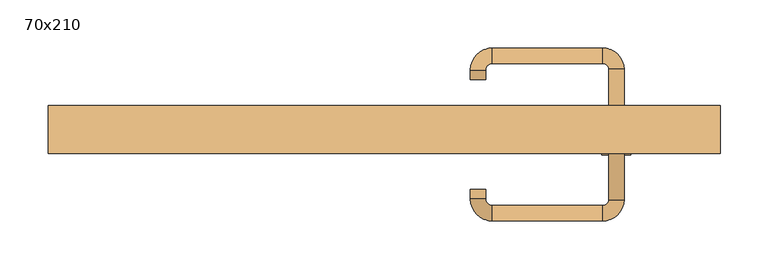
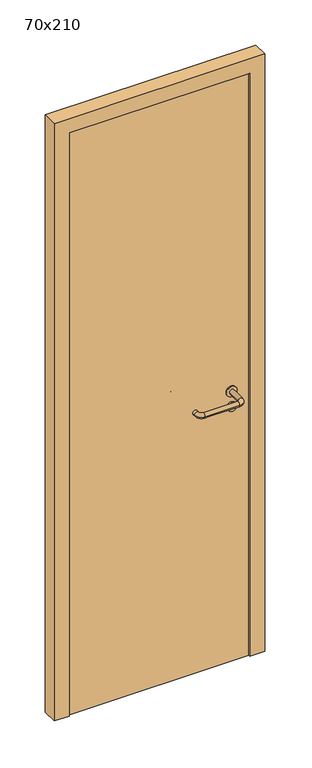
"""IFC4 building model written with IfcOpenShell, lengths in millimetres: door geometry, 70x210."""

from ifc_helpers import new_model, si_unit, point, frame, frame_2d, origin, origin_with_axes, place, context, project, spatial, polyline, circle_curve, ellipse_curve, trimmed, segment, composite_curve, outline, extrude, source, transform, mapped, element, save
from ifc_brep_helpers import plane_surface, cylinder_surface, revolved_surface, advanced_brep


def door_70x210_753ff08d(model_context):
    return source(origin(), model_context, "Body", "SolidModel", [
        extrude(outline(composite_curve([segment(trimmed(circle_curve(frame_2d((897.3605726, 242.0)), 15.0), [point((897.3605726, 257.0))], [point((897.3605726, 227.0))], False, "CARTESIAN"), True, "CONTINUOUS"), segment(trimmed(circle_curve(frame_2d((897.3605726, 242.0)), 15.0), [point((897.3605726, 227.0))], [point((897.3605726, 257.0))], False, "CARTESIAN"), True, "CONTINUOUS")], self_intersect=False), holes=[composite_curve([segment(trimmed(circle_curve(frame_2d((892.5833211, 241.9398032)), 2.0), [point((892.5833211, 243.9398032))], [point((892.5833211, 239.9398032))], True, "CARTESIAN"), True, "CONTINUOUS"), segment(polyline([(892.5833211, 239.9398032), (902.5833211, 239.9398032)]), True, "CONTINUOUS"), segment(trimmed(circle_curve(frame_2d((902.5833211, 241.9398032)), 2.0), [point((902.5833211, 239.9398032))], [point((902.5833211, 243.9398032))], True, "CARTESIAN"), True, "CONTINUOUS"), segment(polyline([(902.5833211, 243.9398032), (892.5833211, 243.9398032)]), True, "CONTINUOUS")], self_intersect=False)]), frame((0.0, -25.0, 0.0), z_axis=(0.0, 1.0, 0.0), x_axis=(0.0, 0.0, 1.0)), (0.0, 0.0, 1.0), 6.35),
        extrude(outline(composite_curve([segment(trimmed(circle_curve(frame_2d((950.0, 242.0)), 17.526), [point((950.0, 259.526))], [point((950.0, 224.474))], False, "CARTESIAN"), True, "CONTINUOUS"), segment(trimmed(circle_curve(frame_2d((950.0, 242.0)), 17.526), [point((950.0, 224.474))], [point((950.0, 259.526))], False, "CARTESIAN"), True, "CONTINUOUS")], self_intersect=False)), frame((0.0, -25.0, 0.0), z_axis=(0.0, 1.0, 0.0), x_axis=(0.0, 0.0, 1.0)), (0.0, 0.0, 1.0), 3.175),
        advanced_brep(
        [(250.0, -25.0, 950.0), (234.0, -25.0, 950.0), (250.0, 28.0, 950.0), (234.0, 28.0, 950.0), (227.8578644, 34.1421356, 950.0), (227.8578644, 50.1421356, 950.0), (112.8578644, 50.1421356, 950.0), (112.8578644, 34.1421356, 950.0), (106.008622, 27.2928932, 950.0), (90.008622, 27.2928932, 950.0), (90.008622, 17.2928932, 950.0), (106.008622, 17.2928932, 950.0)],
        [
            (0, 1, circle_curve(frame((242.0, -25.0, 950.0), z_axis=(0.0, -1.0, 0.0), x_axis=(-1.0, 0.0, 0.0)), 8.0)),
            (1, 0, circle_curve(frame((242.0, -25.0, 950.0), z_axis=(0.0, -1.0, 0.0), x_axis=(-1.0, 0.0, 0.0)), 8.0)),
            (0, 2),
            (2, 3, circle_curve(frame((242.0, 28.0, 950.0), z_axis=(0.0, -1.0, 0.0), x_axis=(-1.0, 0.0, 0.0)), 8.0)),
            (3, 1),
            (3, 2, circle_curve(frame((242.0, 28.0, 950.0), z_axis=(0.0, -1.0, 0.0), x_axis=(-1.0, 0.0, 0.0)), 8.0)),
            (4, 3, circle_curve(frame((227.8578644, 28.0, 950.0), z_axis=(0.0, 0.0, -1.0), x_axis=(1.0, 0.0, 0.0)), 6.1421356)),
            (2, 5, circle_curve(frame((227.8578644, 28.0, 950.0), z_axis=(0.0, 0.0, 1.0), x_axis=(1.0, 0.0, 0.0)), 22.1421356)),
            (5, 4, circle_curve(frame((227.8578644, 42.1421356, 950.0), z_axis=(1.0, 0.0, 0.0), x_axis=(0.0, -1.0, 0.0)), 8.0)),
            (4, 5, circle_curve(frame((227.8578644, 42.1421356, 950.0), z_axis=(1.0, 0.0, 0.0), x_axis=(0.0, -1.0, 0.0)), 8.0)),
            (5, 6),
            (6, 7, circle_curve(frame((112.8578644, 42.1421356, 950.0), z_axis=(1.0, 0.0, 0.0), x_axis=(0.0, -1.0, 0.0)), 8.0)),
            (7, 4),
            (7, 6, circle_curve(frame((112.8578644, 42.1421356, 950.0), z_axis=(1.0, 0.0, 0.0), x_axis=(0.0, -1.0, 0.0)), 8.0)),
            (8, 7, circle_curve(frame((112.8578644, 27.2928932, 950.0), z_axis=(0.0, 0.0, -1.0), x_axis=(0.0, 1.0, 0.0)), 6.8492424)),
            (6, 9, circle_curve(frame((112.8578644, 27.2928932, 950.0), z_axis=(0.0, 0.0, 1.0), x_axis=(0.0, 1.0, 0.0)), 22.8492424)),
            (9, 8, circle_curve(frame((98.008622, 27.2928932, 950.0), z_axis=(0.0, 1.0, 0.0), x_axis=(1.0, 0.0, 0.0)), 8.0)),
            (8, 9, circle_curve(frame((98.008622, 27.2928932, 950.0), z_axis=(0.0, 1.0, 0.0), x_axis=(1.0, 0.0, 0.0)), 8.0)),
            (10, 11, circle_curve(frame((98.008622, 17.2928932, 950.0), z_axis=(0.0, -1.0, 0.0), x_axis=(1.0, 0.0, 0.0)), 8.0)),
            (11, 10, circle_curve(frame((98.008622, 17.2928932, 950.0), z_axis=(0.0, -1.0, 0.0), x_axis=(1.0, 0.0, 0.0)), 8.0)),
            (9, 10),
            (11, 8),
        ],
        [
            plane_surface(frame((242.0, -25.0, 170.0), z_axis=(0.0, -1.0, 0.0), x_axis=(0.0, 0.0, 1.0))),
            cylinder_surface(frame((242.0, -25.0, 950.0), z_axis=(0.0, -1.0, 0.0), x_axis=(-1.0, 0.0, 0.0)), 8.0),
            revolved_surface(trimmed(ellipse_curve(frame((242.0, 28.0, 950.0), z_axis=(0.0, -1.0, 0.0), x_axis=(-1.0, 0.0, 0.0)), 8.0, 8.0), [point((250.0, 28.0, 950.0))], [point((234.0, 28.0, 950.0))], True, "CARTESIAN"), (227.8578644, 28.0, 170.0), (0.0, 0.0, 1.0)),
            revolved_surface(trimmed(ellipse_curve(frame((242.0, 28.0, 950.0), z_axis=(0.0, -1.0, 0.0), x_axis=(-1.0, 0.0, 0.0)), 8.0, 8.0), [point((234.0, 28.0, 950.0))], [point((250.0, 28.0, 950.0))], True, "CARTESIAN"), (227.8578644, 28.0, 170.0), (0.0, 0.0, 1.0)),
            cylinder_surface(frame((227.8578644, 42.1421356, 950.0), z_axis=(1.0, 0.0, 0.0), x_axis=(0.0, -1.0, 0.0)), 8.0),
            revolved_surface(trimmed(ellipse_curve(frame((112.8578644, 42.1421356, 950.0), z_axis=(1.0, 0.0, 0.0), x_axis=(0.0, -1.0, 0.0)), 8.0, 8.0), [point((112.8578644, 50.1421356, 950.0))], [point((112.8578644, 34.1421356, 950.0))], True, "CARTESIAN"), (112.8578644, 27.2928932, 170.0), (0.0, 0.0, 1.0)),
            revolved_surface(trimmed(ellipse_curve(frame((112.8578644, 42.1421356, 950.0), z_axis=(1.0, 0.0, 0.0), x_axis=(0.0, -1.0, 0.0)), 8.0, 8.0), [point((112.8578644, 34.1421356, 950.0))], [point((112.8578644, 50.1421356, 950.0))], True, "CARTESIAN"), (112.8578644, 27.2928932, 170.0), (0.0, 0.0, 1.0)),
            plane_surface(frame((98.008622, 17.2928932, 170.0), z_axis=(0.0, -1.0, 0.0), x_axis=(0.0, 0.0, 1.0))),
            cylinder_surface(frame((98.008622, 27.2928932, 950.0), z_axis=(0.0, 1.0, 0.0), x_axis=(1.0, 0.0, 0.0)), 8.0),
        ],
        [
            (0, [[1, 2]]),
            (1, [[-1, 3, 4, 5]]),
            (1, [[-2, -5, 6, -3]]),
            (2, [[7, -4, 8, 9]]),
            (3, [[-8, -6, -7, 10]]),
            (4, [[-9, 11, 12, 13]]),
            (4, [[-10, -13, 14, -11]]),
            (5, [[15, -12, 16, 17]]),
            (6, [[-16, -14, -15, 18]]),
            (7, [[19, 20]]),
            (8, [[-17, 21, -20, 22]]),
            (8, [[-18, -22, -19, -21]]),
        ],
    ),
        extrude(outline(composite_curve([segment(trimmed(circle_curve(frame_2d((0.0, 15.0)), 15.0), [point((0.0, 30.0))], [point((0.0, 0.0))], False, "CARTESIAN"), True, "CONTINUOUS"), segment(trimmed(circle_curve(frame_2d((0.0, 15.0)), 15.0), [point((0.0, 0.0))], [point((0.0, 30.0))], False, "CARTESIAN"), True, "CONTINUOUS")], self_intersect=False), holes=[composite_curve([segment(trimmed(circle_curve(frame_2d((-4.7772515, 14.9398032)), 2.0), [point((-4.7772515, 16.9398032))], [point((-4.7772515, 12.9398032))], True, "CARTESIAN"), True, "CONTINUOUS"), segment(polyline([(-4.7772515, 12.9398032), (5.2227485, 12.9398032)]), True, "CONTINUOUS"), segment(trimmed(circle_curve(frame_2d((5.2227485, 14.9398032)), 2.0), [point((5.2227485, 12.9398032))], [point((5.2227485, 16.9398032))], True, "CARTESIAN"), True, "CONTINUOUS"), segment(polyline([(5.2227485, 16.9398032), (-4.7772515, 16.9398032)]), True, "CONTINUOUS")], self_intersect=False)]), frame((227.0, -61.35, 897.3605726), z_axis=(-1.8870575173328306e-12, 1.0, 0.0), x_axis=(0.0, 0.0, 1.0)), (0.0, 0.0, 1.0), 6.35),
        extrude(outline(composite_curve([segment(trimmed(circle_curve(frame_2d((0.0, 17.526)), 17.526), [point((0.0, 35.052))], [point((0.0, 0.0))], False, "CARTESIAN"), True, "CONTINUOUS"), segment(trimmed(circle_curve(frame_2d((0.0, 17.526)), 17.526), [point((0.0, 0.0))], [point((0.0, 35.052))], False, "CARTESIAN"), True, "CONTINUOUS")], self_intersect=False)), frame((224.474, -58.175, 950.0), z_axis=(-1.8870575173328306e-12, 1.0, 0.0), x_axis=(0.0, 0.0, 1.0)), (0.0, 0.0, 1.0), 3.175),
        advanced_brep(
        [(250.0, -55.0, 950.0), (234.0, -55.0, 950.0), (234.0, -108.0, 950.0), (250.0, -108.0, 950.0), (227.8578644, -114.1421356, 950.0), (227.8578644, -130.1421356, 950.0), (112.8578644, -114.1421356, 950.0), (112.8578644, -130.1421356, 950.0), (106.008622, -107.2928932, 950.0), (90.008622, -107.2928932, 950.0), (90.008622, -97.2928932, 950.0), (106.008622, -97.2928932, 950.0)],
        [
            (0, 1, circle_curve(frame((242.0, -55.0, 950.0), z_axis=(-1.888672253512351e-12, 1.0, 0.0), x_axis=(-1.0, -1.888672253512351e-12, 0.0)), 8.0)),
            (1, 0, circle_curve(frame((242.0, -55.0, 950.0), z_axis=(-1.888672253512351e-12, 1.0, 0.0), x_axis=(-1.0, -1.888672253512351e-12, 0.0)), 8.0)),
            (1, 2),
            (2, 3, circle_curve(frame((242.0, -108.0, 950.0), z_axis=(-1.888672253512351e-12, 1.0, 0.0), x_axis=(-1.0, -1.888672253512351e-12, 0.0)), 8.0)),
            (3, 0),
            (3, 2, circle_curve(frame((242.0, -108.0, 950.0), z_axis=(-1.888672253512351e-12, 1.0, 0.0), x_axis=(-1.0, -1.888672253512351e-12, 0.0)), 8.0)),
            (4, 5, circle_curve(frame((227.8578644, -122.1421356, 950.0), z_axis=(1.0, 1.913702061528922e-12, 0.0), x_axis=(-1.913702061528922e-12, 1.0, 0.0)), 8.0)),
            (5, 3, circle_curve(frame((227.8578644, -108.0, 950.0), z_axis=(0.0, 0.0, 1.0), x_axis=(1.0, 1.880717803715015e-12, 0.0)), 22.1421356)),
            (2, 4, circle_curve(frame((227.8578644, -108.0, 950.0), z_axis=(0.0, 0.0, -1.0), x_axis=(1.0, 1.880717803715015e-12, 0.0)), 6.1421356)),
            (5, 4, circle_curve(frame((227.8578644, -122.1421356, 950.0), z_axis=(1.0, 1.913702061528922e-12, 0.0), x_axis=(-1.913702061528922e-12, 1.0, 0.0)), 8.0)),
            (4, 6),
            (6, 7, circle_curve(frame((112.8578644, -122.1421356, 950.0), z_axis=(1.0, 1.913719828541269e-12, 0.0), x_axis=(-1.913719828541269e-12, 1.0, 0.0)), 8.0)),
            (7, 5),
            (7, 6, circle_curve(frame((112.8578644, -122.1421356, 950.0), z_axis=(1.0, 1.913719828541269e-12, 0.0), x_axis=(-1.913719828541269e-12, 1.0, 0.0)), 8.0)),
            (8, 9, circle_curve(frame((98.008622, -107.2928932, 950.0), z_axis=(1.890226565746826e-12, -1.0, 0.0), x_axis=(1.0, 1.890226565746826e-12, 0.0)), 8.0)),
            (9, 7, circle_curve(frame((112.8578644, -107.2928932, 950.0), z_axis=(0.0, 0.0, 1.0), x_axis=(1.9120873253494017e-12, -1.0, 0.0)), 22.8492424)),
            (6, 8, circle_curve(frame((112.8578644, -107.2928932, 950.0), z_axis=(0.0, 0.0, -1.0), x_axis=(1.9120873253494017e-12, -1.0, 0.0)), 6.8492424)),
            (9, 8, circle_curve(frame((98.008622, -107.2928932, 950.0), z_axis=(1.890670654956676e-12, -1.0, 0.0), x_axis=(1.0, 1.890670654956676e-12, 0.0)), 8.0)),
            (10, 11, circle_curve(frame((98.008622, -97.2928932, 950.0), z_axis=(-1.8903642334018795e-12, 1.0, 0.0), x_axis=(1.0, 1.8903642334018795e-12, 0.0)), 8.0)),
            (11, 10, circle_curve(frame((98.008622, -97.2928932, 950.0), z_axis=(-1.8903642334018795e-12, 1.0, 0.0), x_axis=(1.0, 1.8903642334018795e-12, 0.0)), 8.0)),
            (8, 11),
            (10, 9),
        ],
        [
            plane_surface(frame((242.0, -55.0, 170.0), z_axis=(-1.8870575173328306e-12, 1.0, 0.0), x_axis=(0.0, 0.0, 1.0))),
            cylinder_surface(frame((242.0, -55.0, 950.0), z_axis=(-1.888672253512351e-12, 1.0, 0.0), x_axis=(-1.0, -1.888672253512351e-12, 0.0)), 8.0),
            revolved_surface(trimmed(ellipse_curve(frame((242.0, -108.0, 950.0), z_axis=(1.8823325398945356e-12, -1.0, 0.0), x_axis=(-1.0, -1.8823325398945356e-12, 0.0)), 8.0, 8.0), [point((250.0, -108.0, 950.0))], [point((234.0, -108.0, 950.0))], True, "CARTESIAN"), (227.8578644, -108.0, 170.0), (0.0, 0.0, 1.0)),
            revolved_surface(trimmed(ellipse_curve(frame((242.0, -108.0, 950.0), z_axis=(1.8823325398945356e-12, -1.0, 0.0), x_axis=(-1.0, -1.8823325398945356e-12, 0.0)), 8.0, 8.0), [point((234.0, -108.0, 950.0))], [point((250.0, -108.0, 950.0))], True, "CARTESIAN"), (227.8578644, -108.0, 170.0), (0.0, 0.0, 1.0)),
            cylinder_surface(frame((227.8578644, -122.1421356, 950.0), z_axis=(1.0, 1.913719828541269e-12, 0.0), x_axis=(-1.913719828541269e-12, 1.0, 0.0)), 8.0),
            revolved_surface(trimmed(ellipse_curve(frame((112.8578644, -122.1421356, 950.0), z_axis=(-1.0, -1.913702061528922e-12, 0.0), x_axis=(-1.913702061528922e-12, 1.0, 0.0)), 8.0, 8.0), [point((112.8578644, -130.1421356, 950.0))], [point((112.8578644, -114.1421356, 950.0))], True, "CARTESIAN"), (112.8578644, -107.2928932, 170.0), (0.0, 0.0, 1.0)),
            revolved_surface(trimmed(ellipse_curve(frame((112.8578644, -122.1421356, 950.0), z_axis=(-1.0, -1.913702061528922e-12, 0.0), x_axis=(-1.913702061528922e-12, 1.0, 0.0)), 8.0, 8.0), [point((112.8578644, -114.1421356, 950.0))], [point((112.8578644, -130.1421356, 950.0))], True, "CARTESIAN"), (112.8578644, -107.2928932, 170.0), (0.0, 0.0, 1.0)),
            plane_surface(frame((98.008622, -97.2928932, 170.0), z_axis=(-1.8887494972223595e-12, 1.0, 0.0), x_axis=(0.0, 0.0, 1.0))),
            cylinder_surface(frame((98.008622, -107.2928932, 950.0), z_axis=(1.8903642334018795e-12, -1.0, 0.0), x_axis=(1.0, 1.8903642334018795e-12, 0.0)), 8.0),
        ],
        [
            (0, [[1, 2]]),
            (1, [[3, 4, 5, -2]]),
            (1, [[-5, 6, -3, -1]]),
            (2, [[7, 8, -4, 9]]),
            (3, [[10, -9, -6, -8]]),
            (4, [[11, 12, 13, -7]]),
            (4, [[-13, 14, -11, -10]]),
            (5, [[15, 16, -12, 17]]),
            (6, [[18, -17, -14, -16]]),
            (7, [[19, 20]]),
            (8, [[21, -19, 22, -15]]),
            (8, [[-22, -20, -21, -18]]),
        ],
    ),
        extrude(outline(polyline([(2050.0, 300.0), (0.0, 300.0), (0.0, 350.0), (2100.0, 350.0), (2100.0, -350.0), (0.0, -350.0), (0.0, -300.0), (2050.0, -300.0), (2050.0, 300.0)])), frame((0.0, -60.0, 0.0), z_axis=(0.0, 1.0, 0.0), x_axis=(0.0, 0.0, 1.0)), (0.0, 0.0, 1.0), 50.0),
        extrude(outline(polyline([(-300.0, -55.0), (-300.0, -25.0), (300.0, -25.0), (300.0, -55.0), (-300.0, -55.0)])), origin_with_axes(), (0.0, 0.0, 1.0), 2050.0),
    ])


if __name__ == "__main__":
    model = new_model("IFC4")
    model_context = context("Model", 3, world=origin())
    ifc_project = project(units=[si_unit("LENGTHUNIT", "METRE", prefix="MILLI")], contexts=[model_context])
    site = spatial("IfcSite", under=ifc_project)
    building = spatial("IfcBuilding", under=site)
    placement = place(None, origin())
    door_70x210_shape = door_70x210_753ff08d(model_context)
    element("IfcDoor", 1, ObjectType="70x210", at=placement, inside=building, context=model_context, shape_type="MappedRepresentation", body=[
        mapped(door_70x210_shape, transform((0.0, 0.0, 0.0), x_axis=(1.0, 0.0, 0.0), y_axis=(0.0, 1.0, 0.0), z_axis=(0.0, 0.0, 1.0))),
    ])
    save(model, "model.ifc")
